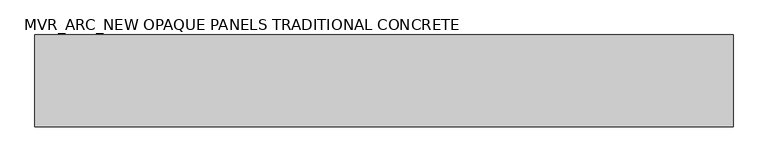
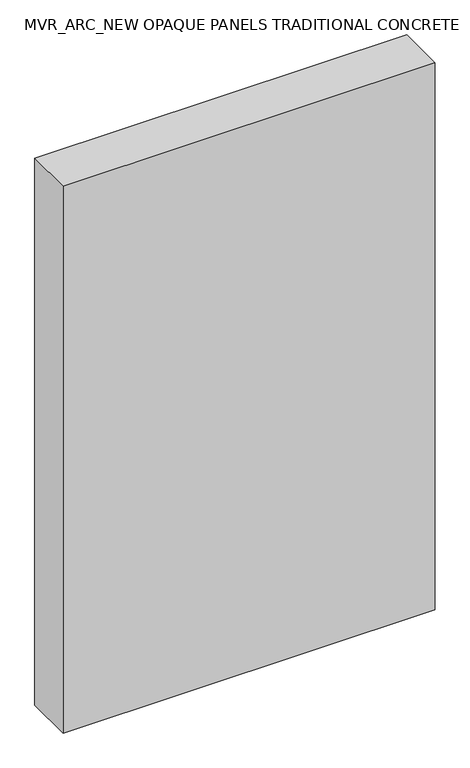
"""IFC4 building model written with IfcOpenShell, lengths in millimetres: plate geometry, MVR_ARC_NEW OPAQUE PANELS TRADITIONAL CONCRETE."""

from ifc_helpers import new_model, si_unit, origin, origin_with_axes, place, context, project, spatial, polyline, outline, extrude, source, transform, mapped, element, save


def mvr_arc_new_opaque_panels_traditional_concrete_86b4790f(model_context):
    return source(origin(), model_context, "Body", "SweptSolid", [
        extrude(outline(polyline([(800.0, -150.0), (-800.0, -150.0), (-800.0, 60.0), (800.0, 60.0), (800.0, -150.0)])), origin_with_axes(), (0.0, 0.0, 1.0), 2484.4),
    ])


if __name__ == "__main__":
    model = new_model("IFC4")
    model_context = context("Model", 3, world=origin())
    ifc_project = project(units=[si_unit("LENGTHUNIT", "METRE", prefix="MILLI")], contexts=[model_context])
    site = spatial("IfcSite", under=ifc_project)
    building = spatial("IfcBuilding", under=site)
    placement = place(None, origin())
    mvr_arc_new_opaque_panels_traditional_concrete_shape = mvr_arc_new_opaque_panels_traditional_concrete_86b4790f(model_context)
    element("IfcPlate", 1, ObjectType="MVR_ARC_NEW OPAQUE PANELS TRADITIONAL CONCRETE", at=placement, inside=building, context=model_context, shape_type="MappedRepresentation", body=[
        mapped(mvr_arc_new_opaque_panels_traditional_concrete_shape, transform((0.0, 0.0, 0.0), x_axis=(1.0, 0.0, 0.0), y_axis=(0.0, 1.0, 0.0), z_axis=(0.0, 0.0, 1.0))),
    ])
    save(model, "model.ifc")
